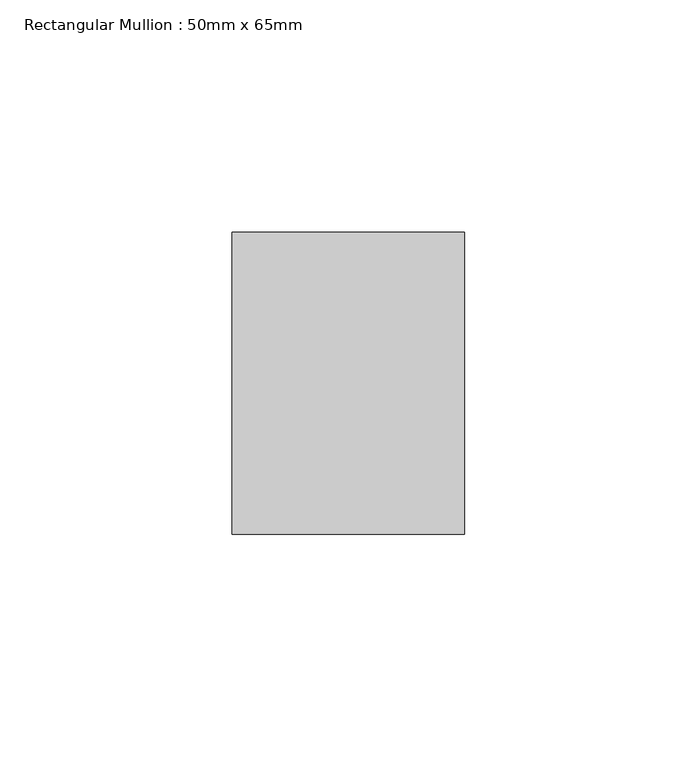
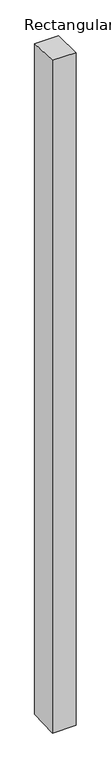
"""IFC4 building model written with IfcOpenShell, lengths in millimetres: member geometry, Rectangular Mullion : 50mm x 65mm."""

from ifc_helpers import new_model, si_unit, origin, place, context, project, spatial, faceted_brep, source, transform, mapped, element, save


def rectangular_mullion_50mm_x_65mm_4e1f6234(model_context):
    return source(origin(), model_context, "Body", "Brep", [
        faceted_brep([(-25.0, 32.5, -0.8979586), (25.0, 32.5, -0.8979688), (25.0, 32.5, -1498.8578957), (-25.0, 32.5, -1498.8579088), (-25.0, -32.5, 0.8979688), (-25.0, -32.5, -1501.1418099), (25.0, -32.5, 0.8979586), (25.0, -32.5, -1501.1417969)], [[[0, 1, 2, 3]], [[4, 0, 3, 5]], [[6, 4, 5, 7]], [[1, 6, 7, 2]], [[1, 0, 4, 6]], [[2, 7, 5, 3]]]),
    ])


if __name__ == "__main__":
    model = new_model("IFC4")
    model_context = context("Model", 3, world=origin())
    ifc_project = project(units=[si_unit("LENGTHUNIT", "METRE", prefix="MILLI")], contexts=[model_context])
    site = spatial("IfcSite", under=ifc_project)
    building = spatial("IfcBuilding", under=site)
    placement = place(None, origin())
    rectangular_mullion_50mm_x_65mm_shape = rectangular_mullion_50mm_x_65mm_4e1f6234(model_context)
    element("IfcMember", 1, ObjectType="Rectangular Mullion : 50mm x 65mm", at=placement, inside=building, context=model_context, shape_type="MappedRepresentation", body=[
        mapped(rectangular_mullion_50mm_x_65mm_shape, transform((0.0, 0.0, 0.0), x_axis=(1.0, 0.0, 0.0), y_axis=(0.0, 1.0, 0.0), z_axis=(0.0, 0.0, 1.0))),
    ])
    save(model, "model.ifc")
